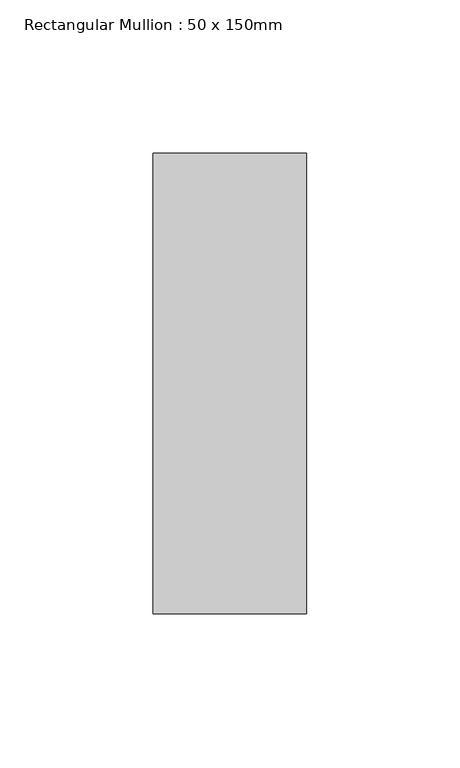
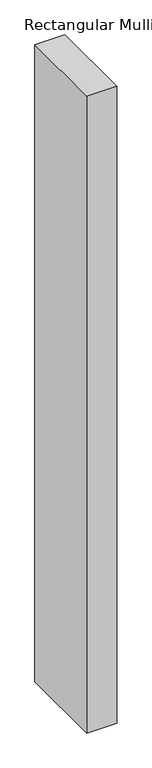
"""IFC4 building model written with IfcOpenShell, lengths in millimetres: member geometry, Rectangular Mullion : 50 x 150mm."""

from ifc_helpers import new_model, si_unit, frame, origin, place, context, project, spatial, polyline, outline, extrude, source, transform, mapped, element, save


def rectangular_mullion_50_x_150mm_a190ddb5(model_context):
    return source(origin(), model_context, "Body", "SweptSolid", [
        extrude(outline(polyline([(25.0, 75.0), (25.0, -75.0), (-25.0, -75.0), (-25.0, 75.0), (25.0, 75.0)])), frame((0.0, 0.0, -1123.1908304), z_axis=(0.0, 0.0, 1.0), x_axis=(1.0, 0.0, 0.0)), (0.0, 0.0, 1.0), 1123.1908304),
    ])


if __name__ == "__main__":
    model = new_model("IFC4")
    model_context = context("Model", 3, world=origin())
    ifc_project = project(units=[si_unit("LENGTHUNIT", "METRE", prefix="MILLI")], contexts=[model_context])
    site = spatial("IfcSite", under=ifc_project)
    building = spatial("IfcBuilding", under=site)
    placement = place(None, origin())
    rectangular_mullion_50_x_150mm_shape = rectangular_mullion_50_x_150mm_a190ddb5(model_context)
    element("IfcMember", 1, ObjectType="Rectangular Mullion : 50 x 150mm", at=placement, inside=building, context=model_context, shape_type="MappedRepresentation", body=[
        mapped(rectangular_mullion_50_x_150mm_shape, transform((0.0, 0.0, 0.0), x_axis=(1.0, 0.0, 0.0), y_axis=(0.0, 1.0, 0.0), z_axis=(0.0, 0.0, 1.0))),
    ])
    save(model, "model.ifc")
